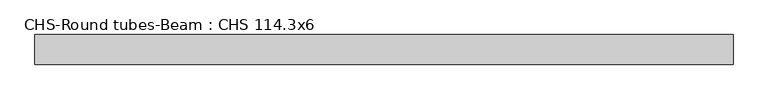
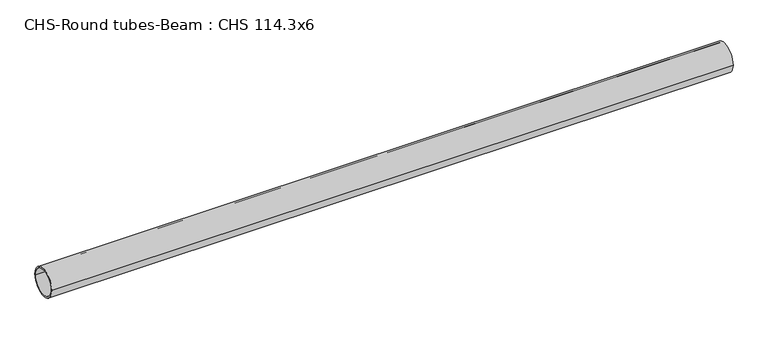
"""IFC4 building model written with IfcOpenShell, lengths in millimetres: beam geometry, CHS-Round tubes-Beam : CHS 114.3x6."""

from ifc_helpers import new_model, si_unit, point, frame, origin, origin_2d, place, context, project, spatial, circle_curve, trimmed, segment, composite_curve, outline, extrude, source, transform, mapped, element, save


def chs_round_tubes_beam_chs_114_3x6_63530aad(model_context):
    return source(origin(), model_context, "Body", "SweptSolid", [
        extrude(outline(composite_curve([segment(trimmed(circle_curve(origin_2d(), 57.15), [point((57.15, 0.0))], [point((-57.15, 0.0))], False, "CARTESIAN"), True, "CONTINUOUS"), segment(trimmed(circle_curve(origin_2d(), 57.15), [point((-57.15, 0.0))], [point((57.15, 0.0))], False, "CARTESIAN"), True, "CONTINUOUS")], self_intersect=False), holes=[composite_curve([segment(trimmed(circle_curve(origin_2d(), 51.15), [point((51.15, 0.0))], [point((-51.15, 0.0))], True, "CARTESIAN"), True, "CONTINUOUS"), segment(trimmed(circle_curve(origin_2d(), 51.15), [point((-51.15, 0.0))], [point((51.15, 0.0))], True, "CARTESIAN"), True, "CONTINUOUS")], self_intersect=False)]), frame((-1330.1594803, 0.0, 0.0), z_axis=(1.0, 0.0, 0.0), x_axis=(0.0, 1.0, 0.0)), (0.0, 0.0, 1.0), 2693.6956388),
    ])


if __name__ == "__main__":
    model = new_model("IFC4")
    model_context = context("Model", 3, world=origin())
    ifc_project = project(units=[si_unit("LENGTHUNIT", "METRE", prefix="MILLI")], contexts=[model_context])
    site = spatial("IfcSite", under=ifc_project)
    building = spatial("IfcBuilding", under=site)
    placement = place(None, origin())
    chs_round_tubes_beam_chs_114_3x6_shape = chs_round_tubes_beam_chs_114_3x6_63530aad(model_context)
    element("IfcBeam", 1, ObjectType="CHS-Round tubes-Beam : CHS 114.3x6", at=placement, inside=building, context=model_context, shape_type="MappedRepresentation", body=[
        mapped(chs_round_tubes_beam_chs_114_3x6_shape, transform((0.0, 0.0, 0.0), x_axis=(1.0, 0.0, 0.0), y_axis=(0.0, 1.0, 0.0), z_axis=(0.0, 0.0, 1.0))),
    ])
    save(model, "model.ifc")
